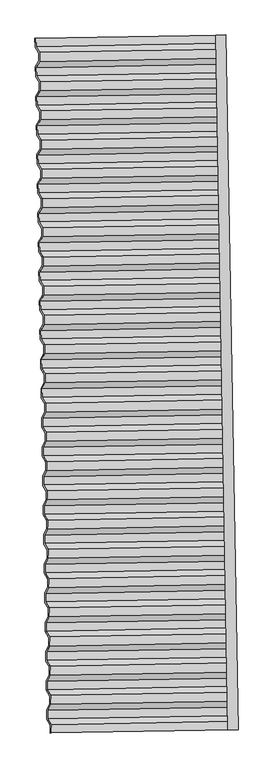
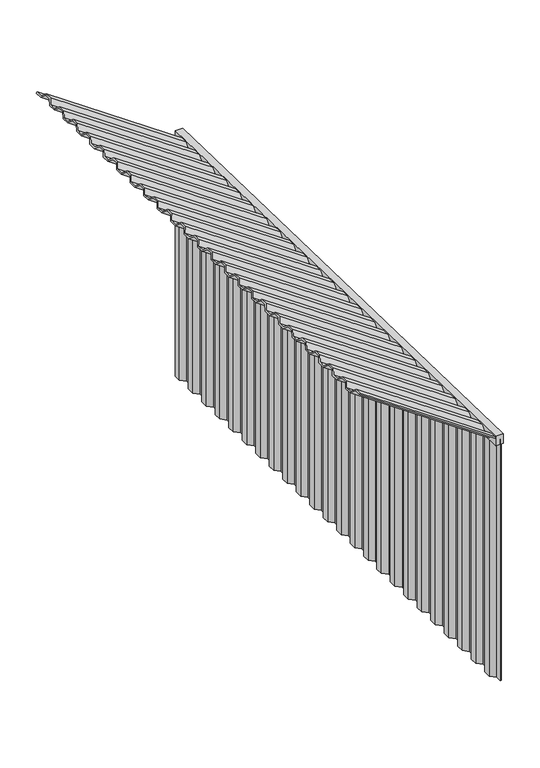
"""IFC4 building model written with IfcOpenShell, lengths in millimetres: proxy geometry."""

import ifcopenshell
import ifcopenshell.guid

model = None  # the IFC model being written
_history = None  # IfcOwnerHistory: only IFC2X3 demands one
_inside = {}  # id of a spatial element -> (the spatial element, [elements in it])
_under = {}  # id of a project, library or spatial element -> (it, [spatial elements below it])
_declared = {}  # id of a project -> (the project, [libraries it declares])
_typed = {}  # id of a type object -> (the type object, [elements of that type])
_made_of = {}  # id of a material, layer set ... -> (it, [elements and type objects made of it])


def new_model(schema):
    """Start an empty IFC model of exactly this schema.

    Asked for "IFC4X3", IfcOpenShell would pick the latest addendum, in which some entities
    have other attributes; the version numbers below select the first issue.
    IFC2X3 requires an IfcOwnerHistory on every rooted entity: one is made here for all.
    """
    global model, _history
    if schema == "IFC4X3":
        model = ifcopenshell.file(schema_version=(4, 3, 0, 0))
    else:
        model = ifcopenshell.file(schema=schema)
    _inside.clear()
    _under.clear()
    _declared.clear()
    _typed.clear()
    _made_of.clear()
    _history = None
    if model.schema == "IFC2X3":
        org = make("IfcOrganization", Name="unknown")
        user = make(
            "IfcPersonAndOrganization",
            ThePerson=make("IfcPerson", FamilyName="unknown"),
            TheOrganization=org,
        )
        app = make(
            "IfcApplication",
            ApplicationDeveloper=org,
            Version="unknown",
            ApplicationFullName="unknown",
            ApplicationIdentifier="unknown",
        )
        _history = make(
            "IfcOwnerHistory",
            OwningUser=user,
            OwningApplication=app,
            ChangeAction="ADDED",
            CreationDate=0,
        )
    return model


def make(cls, **values):
    """One entity of the class cls with the attributes given. An attribute that is None is left unset."""
    return model.create_entity(
        cls, **{name: value for name, value in values.items() if value is not None}
    )


def rooted(cls, **values):
    """An entity with a GlobalId (a new one), such as an element, a storey or a relation."""
    return make(cls, GlobalId=ifcopenshell.guid.new(), OwnerHistory=_history, **values)


def si_unit(unit_type, name, prefix=None):
    """IfcSIUnit, for example si_unit("LENGTHUNIT", "METRE", prefix="MILLI")."""
    return make("IfcSIUnit", UnitType=unit_type, Prefix=prefix, Name=name)


def assignment(units):
    """IfcUnitAssignment: the units of a project."""
    return None if units is None else make("IfcUnitAssignment", Units=units)


def point(xyz):
    """IfcCartesianPoint."""
    return None if xyz is None else make("IfcCartesianPoint", Coordinates=xyz)


def direction(xyz):
    """IfcDirection."""
    return None if xyz is None else make("IfcDirection", DirectionRatios=xyz)


def frame(location, z_axis=None, x_axis=None):
    """IfcAxis2Placement3D, a coordinate frame: its origin and axes. An axis left out is left unset."""
    return make(
        "IfcAxis2Placement3D",
        Location=point(location),
        Axis=direction(z_axis),
        RefDirection=direction(x_axis),
    )


def origin():
    """The frame at (0, 0, 0) with its axes left unset."""
    return frame((0.0, 0.0, 0.0))


def origin_with_axes():
    """The frame at (0, 0, 0) with the z axis (0, 0, 1) and the x axis (1, 0, 0) written out."""
    return frame((0.0, 0.0, 0.0), z_axis=(0.0, 0.0, 1.0), x_axis=(1.0, 0.0, 0.0))


def place(relative_to, where):
    """IfcLocalPlacement: puts the frame where relative to a parent placement (None: the world)."""
    return make(
        "IfcLocalPlacement", PlacementRelTo=relative_to, RelativePlacement=where
    )


def context(
    kind, dimensions, precision=None, world=None, true_north=None, identifier=None
):
    """IfcGeometricRepresentationContext, for example the 3D "Model" context."""
    return make(
        "IfcGeometricRepresentationContext",
        ContextIdentifier=identifier,
        ContextType=kind,
        CoordinateSpaceDimension=dimensions,
        Precision=precision,
        WorldCoordinateSystem=world,
        TrueNorth=true_north,
    )


def project(units=None, contexts=None):
    """IfcProject with its units and contexts."""
    return rooted(
        "IfcProject",
        Name="project",
        RepresentationContexts=contexts,
        UnitsInContext=assignment(units),
    )


def spatial(cls, under=None, at=None, **own):
    """A site, building, storey or space (cls), placed at a placement, below another one or the project."""
    s = rooted(cls, ObjectPlacement=at, **own)
    if under is not None:
        _under.setdefault(under.id(), (under, []))[1].append(s)
    return s


def polyline(points):
    """IfcPolyline through the points."""
    return make("IfcPolyline", Points=[point(p) for p in points])


def outline(outer, holes=None, kind="AREA"):
    """IfcArbitraryClosedProfileDef: a profile drawn as a closed curve; with holes, ...WithVoids."""
    if holes is None:
        return make("IfcArbitraryClosedProfileDef", ProfileType=kind, OuterCurve=outer)
    return make(
        "IfcArbitraryProfileDefWithVoids",
        ProfileType=kind,
        OuterCurve=outer,
        InnerCurves=holes,
    )


def extrude(swept, where, along, depth):
    """IfcExtrudedAreaSolid: the profile swept, set in the frame where, extruded along a direction by depth."""
    return make(
        "IfcExtrudedAreaSolid",
        SweptArea=swept,
        Position=where,
        ExtrudedDirection=direction(along),
        Depth=depth,
    )


def shape(context_of_items, identifier, shape_type, items):
    """IfcShapeRepresentation: the items that make up one representation, for example the "Body"."""
    return make(
        "IfcShapeRepresentation",
        ContextOfItems=context_of_items,
        RepresentationIdentifier=identifier,
        RepresentationType=shape_type,
        Items=items,
    )


def source(mapping_origin, context_of_items, identifier, shape_type, items):
    """IfcRepresentationMap: a shape defined once, which mapped items show again and again."""
    return make(
        "IfcRepresentationMap",
        MappingOrigin=mapping_origin,
        MappedRepresentation=shape(context_of_items, identifier, shape_type, items),
    )


def transform(
    local_origin,
    x_axis=None,
    y_axis=None,
    z_axis=None,
    scale=None,
    scale2=None,
    scale3=None,
    uniform=True,
):
    """IfcCartesianTransformationOperator3D, or its non-uniform kind. x_axis, y_axis, z_axis: its Axis1, 2, 3."""
    if uniform:
        return make(
            "IfcCartesianTransformationOperator3D",
            Axis1=direction(x_axis),
            Axis2=direction(y_axis),
            LocalOrigin=point(local_origin),
            Scale=scale,
            Axis3=direction(z_axis),
        )
    return make(
        "IfcCartesianTransformationOperator3DnonUniform",
        Axis1=direction(x_axis),
        Axis2=direction(y_axis),
        LocalOrigin=point(local_origin),
        Scale=scale,
        Axis3=direction(z_axis),
        Scale2=scale2,
        Scale3=scale3,
    )


def mapped(mapping_source, mapping_target):
    """IfcMappedItem: shows the shape of a source again, moved by a transform."""
    return make(
        "IfcMappedItem", MappingSource=mapping_source, MappingTarget=mapping_target
    )


def made_of(thing, what):
    """Note that an element or type object is made of a material, layer set ...; save() writes the relation."""
    if what is not None:
        _made_of.setdefault(what.id(), (what, []))[1].append(thing)
    return thing


def element(
    cls,
    number,
    at=None,
    inside=None,
    cuts=None,
    type_object=None,
    material=None,
    context=None,
    identifier="Body",
    shape_type=None,
    held_by="IfcProductDefinitionShape",
    body=None,
    shapes=None,
    **own,
):
    """One element of the class cls, such as IfcWall. Its Tag is "e" and its number.

    at: its placement. inside: the storey or other place that contains it. cuts: it is an
    opening in that element (IfcRelVoidsElement). A single representation is given by context,
    identifier, shape_type and body (its items); several are given by shapes. held_by: the class
    of the entity that holds the representations. save() writes the other relations.
    """
    e = rooted(cls, Tag="e%d" % number, ObjectPlacement=at, **own)
    if body is not None:
        shapes = [shape(context, identifier, shape_type, body)]
    if shapes is not None:
        e.Representation = make(held_by, Representations=shapes)
    if inside is not None:
        _inside.setdefault(inside.id(), (inside, []))[1].append(e)
    if cuts is not None:
        rooted(
            "IfcRelVoidsElement", RelatingBuildingElement=cuts, RelatedOpeningElement=e
        )
    if type_object is not None:
        _typed.setdefault(type_object.id(), (type_object, []))[1].append(e)
    return made_of(e, material)


def aggregate(whole, parts):
    """IfcRelAggregates: a whole, such as a stair, and the parts it consists of."""
    return rooted("IfcRelAggregates", RelatingObject=whole, RelatedObjects=parts)


def save(model, path):
    """Write the relations noted so far, then the file.

    IfcRelAggregates (storeys below a building ...), IfcRelContainedInSpatialStructure (elements
    in a storey), IfcRelDefinesByType, IfcRelAssociatesMaterial and IfcRelDeclares: one each for
    every whole, place, type object, material and project.
    """
    for whole, parts in _under.values():
        aggregate(whole, parts)
    for where, things in _inside.values():
        rooted(
            "IfcRelContainedInSpatialStructure",
            RelatedElements=things,
            RelatingStructure=where,
        )
    for kind, things in _typed.values():
        rooted("IfcRelDefinesByType", RelatedObjects=things, RelatingType=kind)
    for what, things in _made_of.values():
        rooted("IfcRelAssociatesMaterial", RelatedObjects=things, RelatingMaterial=what)
    for by, libraries in _declared.values():
        rooted("IfcRelDeclares", RelatingContext=by, RelatedDefinitions=libraries)
    model.write(path)


def generic_models_a86a1cff(model_context):
    return source(origin(), model_context, "Body", "SweptSolid", [
        extrude(outline(polyline([(75193.4758457, -50453.1054735), (75133.484984, -50454.1526179), (75060.9306449, -46297.517314), (75120.9215066, -46296.4701696), (75193.4758457, -50453.1054735)])), frame((0.0, 0.0, 1929.7196973), z_axis=(0.0, 0.0, 1.0), x_axis=(1.0, 0.0, 0.0)), (0.0, 0.0, 1.0), 75.2803027),
        extrude(outline(polyline([(0.0, 0.0), (35.3553391, -35.3553391), (28.2842713, -42.4264069), (-4.1421355, -10.0), (-54.1421356, -10.0), (-95.355339, 31.2132034), (-95.355339, 81.2132035), (-127.7817459, 113.6396104), (-177.7817459, 113.6396104), (-218.9949493, 154.8528137), (-218.9949494, 204.8528138), (-251.4213562, 237.2792207), (-301.4213562, 237.2792206), (-342.6345596, 278.492424), (-342.6345597, 328.4924241), (-375.0609665, 360.918831), (-425.0609665, 360.9188309), (-466.27417, 402.1320344), (-466.2741699, 452.1320344), (-498.7005768, 484.5584413), (-548.7005769, 484.5584412), (-589.9137803, 525.7716447), (-589.9137802, 575.7716447), (-622.3401871, 608.1980516), (-672.3401871, 608.1980515), (-713.5533906, 649.411255), (-713.5533906, 699.411255), (-745.9797974, 731.8376618), (-795.9797974, 731.8376618), (-837.1930009, 773.0508653), (-837.1930008, 823.0508653), (-869.6194077, 855.4772722), (-919.6194077, 855.4772721), (-960.8326112, 896.6904756), (-960.8326111, 946.6904756), (-993.259018, 979.1168825), (-1043.259018, 979.1168824), (-1084.4722215, 1020.3300859), (-1084.4722214, 1070.3300859), (-1116.8986283, 1102.7564927), (-1166.8986284, 1102.7564928), (-1208.1118318, 1143.9696962), (-1208.1118318, 1193.9696962), (-1240.5382387, 1226.3961031), (-1290.5382387, 1226.3961031), (-1331.7514421, 1267.6093065), (-1331.7514421, 1317.6093066), (-1364.177849, 1350.0357134), (-1414.177849, 1350.0357134), (-1455.3910524, 1391.2489168), (-1455.3910524, 1441.2489168), (-1487.8174593, 1473.6753237), (-1537.8174593, 1473.6753237), (-1579.0306627, 1514.8885272), (-1579.0306627, 1564.8885271), (-1611.4570696, 1597.314934), (-1661.4570696, 1597.314934), (-1702.670273, 1638.5281374), (-1702.670273, 1688.5281375), (-1735.0966799, 1720.9545443), (-1785.0966799, 1720.9545443), (-1826.3098834, 1762.1677477), (-1826.3098833, 1812.1677477), (-1858.7362902, 1844.5941546), (-1908.7362902, 1844.5941546), (-1949.9494936, 1885.8073581), (-1949.9494936, 1935.807358), (-1982.3759005, 1968.2337649), (-2032.3759005, 1968.2337649), (-2073.5891039, 2009.4469683), (-2073.5891039, 2059.4469683), (-2106.0155107, 2091.8733752), (-2156.0155109, 2091.8733753), (-2197.2287142, 2133.0865786), (-2197.2287143, 2183.0865787), (-2229.6551211, 2215.5129856), (-2279.6551212, 2215.5129855), (-2320.8683246, 2256.7261889), (-2320.8683246, 2306.726189), (-2353.2947314, 2339.1525959), (-2403.2947314, 2339.1525959), (-2444.5079348, 2380.3657992), (-2444.5079349, 2430.3657993), (-2476.9343417, 2462.7922062), (-2526.9343417, 2462.7922062), (-2568.1475452, 2504.0054096), (-2568.1475451, 2554.0054096), (-2600.573952, 2586.4318165), (-2650.5739521, 2586.4318164), (-2691.7871555, 2627.6450199), (-2691.7871554, 2677.6450199), (-2724.2135623, 2710.0714268), (-2774.2135624, 2710.0714267), (-2815.4267658, 2751.2846302), (-2815.4267658, 2801.2846302), (-2847.8531726, 2833.7110371), (-2897.8531726, 2833.7110371), (-2936.3484593, 2872.2063237), (-2929.2773915, 2879.2773915), (-2893.711037, 2843.7110371), (-2843.711037, 2843.7110371), (-2805.4267658, 2805.4267658), (-2805.4267657, 2755.4267658), (-2770.0714267, 2720.0714268), (-2720.0714268, 2720.0714268), (-2681.7871555, 2681.7871555), (-2681.7871555, 2631.7871555), (-2646.4318163, 2596.4318165), (-2596.4318164, 2596.4318164), (-2558.1475451, 2558.1475452), (-2558.1475452, 2508.1475452), (-2522.7922061, 2472.7922061), (-2472.7922061, 2472.7922061), (-2434.5079349, 2434.5079349), (-2434.5079348, 2384.5079349), (-2399.1525958, 2349.1525958), (-2349.1525958, 2349.1525958), (-2310.8683246, 2310.8683246), (-2310.8683245, 2260.8683247), (-2275.5129855, 2225.5129856), (-2225.5129855, 2225.5129855), (-2187.2287143, 2187.2287143), (-2187.2287143, 2137.2287143), (-2151.8733751, 2101.8733753), (-2101.8733752, 2101.8733752), (-2063.5891039, 2063.589104), (-2063.5891039, 2013.589104), (-2028.2337649, 1978.2337649), (-1978.2337649, 1978.2337649), (-1939.9494937, 1939.9494937), (-1939.9494936, 1889.9494937), (-1904.5941546, 1854.5941547), (-1854.5941546, 1854.5941546), (-1816.3098834, 1816.3098834), (-1816.3098833, 1766.3098834), (-1780.9545443, 1730.9545444), (-1730.9545443, 1730.9545443), (-1692.670273, 1692.670273), (-1692.670273, 1642.6702731), (-1657.3149339, 1607.314934), (-1607.3149339, 1607.314934), (-1569.0306627, 1569.0306627), (-1569.0306627, 1519.0306628), (-1533.6753236, 1483.6753237), (-1483.6753236, 1483.6753237), (-1445.3910524, 1445.3910524), (-1445.3910524, 1395.3910525), (-1410.0357133, 1360.0357134), (-1360.0357134, 1360.0357133), (-1321.7514421, 1321.7514421), (-1321.7514421, 1271.7514422), (-1286.396103, 1236.3961031), (-1236.396103, 1236.3961031), (-1198.1118318, 1198.1118318), (-1198.1118318, 1148.1118319), (-1162.7564927, 1112.7564928), (-1112.7564927, 1112.7564928), (-1074.4722215, 1074.4722215), (-1074.4722214, 1024.4722215), (-1039.1168824, 989.1168825), (-989.1168825, 989.1168824), (-950.8326112, 950.8326112), (-950.8326111, 900.8326112), (-915.4772721, 865.4772722), (-865.4772722, 865.4772722), (-827.1930009, 827.1930009), (-827.1930008, 777.1930009), (-791.8376618, 741.8376619), (-741.8376618, 741.8376619), (-703.5533906, 703.5533905), (-703.5533905, 653.5533906), (-668.1980515, 618.1980516), (-618.1980515, 618.1980515), (-579.9137803, 579.9137803), (-579.9137802, 529.9137803), (-544.5584411, 494.5584412), (-494.5584412, 494.5584412), (-456.2741699, 456.27417), (-456.2741699, 406.27417), (-420.9188308, 370.918831), (-370.9188309, 370.9188309), (-332.6345596, 332.6345597), (-332.6345596, 282.6345597), (-297.2792206, 247.2792206), (-247.2792206, 247.2792206), (-208.9949494, 208.9949494), (-208.9949493, 158.9949494), (-173.6396103, 123.6396103), (-123.6396103, 123.6396103), (-85.3553391, 85.3553391), (-85.355339, 35.3553391), (-49.9999999, 1e-07), (0.0, 0.0)])), frame((75177.9607949, -50403.3686733, 1968.3301924), z_axis=(-0.8190272834650001, -0.014296174410512258, 0.5735764363510472), x_axis=(0.41785873084607233, -0.6999207421017243, 0.5792279653396246)), (0.0, 0.0, 1.0), 1345.3342493),
        extrude(outline(polyline([(75177.9607949, -50403.3686733), (75178.8334152, -50453.3610581), (75168.8349383, -50453.5355821), (75168.0346082, -50407.6847021), (75132.0676182, -50372.9517836), (75131.0504174, -50314.6763893), (75165.7833359, -50278.7093993), (75164.9830058, -50232.8585193), (75129.0160158, -50198.1256008), (75127.998815, -50139.8502065), (75162.7317335, -50103.8832165), (75161.9314035, -50058.0323365), (75125.9644134, -50023.299418), (75124.9472127, -49965.0240237), (75159.6801312, -49929.0570337), (75158.8798011, -49883.2061537), (75122.9128111, -49848.4732352), (75121.8956103, -49790.1978409), (75156.6285288, -49754.2308509), (75155.8281987, -49708.3799709), (75119.8612087, -49673.6470524), (75118.8440079, -49615.3716581), (75153.5769264, -49579.4046681), (75152.7765963, -49533.5537881), (75116.8096063, -49498.8208695), (75115.7924055, -49440.5454753), (75150.5253241, -49404.5784853), (75149.724994, -49358.7276053), (75113.758004, -49323.9946867), (75112.7408032, -49265.7192925), (75147.4737217, -49229.7523024), (75146.6733916, -49183.9014224), (75110.7064016, -49149.1685039), (75109.6892008, -49090.8931097), (75144.4221193, -49054.9261196), (75143.6217892, -49009.0752396), (75107.6547992, -48974.3423211), (75106.6375984, -48916.0669268), (75141.3705169, -48880.0999368), (75140.5701869, -48834.2490568), (75104.6031968, -48799.5161383), (75103.585996, -48741.240744), (75138.3189146, -48705.273754), (75137.5185845, -48659.422874), (75101.5515945, -48624.6899555), (75100.5343937, -48566.4145612), (75135.2673122, -48530.4475712), (75134.4669821, -48484.5966912), (75098.4999921, -48449.8637727), (75097.4827913, -48391.5883784), (75132.2157098, -48355.6213884), (75131.4153797, -48309.7705084), (75095.4483897, -48275.0375899), (75094.4311889, -48216.7621956), (75129.1641075, -48180.7952056), (75128.3637774, -48134.9443256), (75092.3967874, -48100.2114071), (75091.3795866, -48041.9360128), (75126.1125051, -48005.9690228), (75125.312175, -47960.1181428), (75089.345185, -47925.3852242), (75088.3279842, -47867.10983), (75123.0609027, -47831.14284), (75122.2605726, -47785.29196), (75086.2935826, -47750.5590414), (75085.2763818, -47692.2836472), (75120.0093003, -47656.3166571), (75119.2089703, -47610.4657771), (75083.2419802, -47575.7328586), (75082.2247794, -47517.4574643), (75116.957698, -47481.4904743), (75116.1573679, -47435.6395943), (75080.1903779, -47400.9066758), (75079.1731771, -47342.6312815), (75113.9060956, -47306.6642915), (75113.1057655, -47260.8134115), (75077.1387755, -47226.080493), (75076.1215747, -47167.8050987), (75110.8544932, -47131.8381087), (75110.0541631, -47085.9872287), (75074.0871731, -47051.2543102), (75073.0699723, -46992.9789159), (75107.8028909, -46957.0119259), (75107.0025608, -46911.1610459), (75071.0355707, -46876.4281274), (75070.01837, -46818.1527331), (75104.7512885, -46782.1857431), (75103.9509584, -46736.3348631), (75067.9839684, -46701.6019446), (75066.9667676, -46643.3265503), (75101.6996861, -46607.3595603), (75100.899356, -46561.5086803), (75064.932366, -46526.7757617), (75063.9151652, -46468.5003675), (75098.6480837, -46432.5333775), (75097.8477536, -46386.6824975), (75061.8807636, -46351.9495789), (75060.9306449, -46297.517314), (75070.9291219, -46297.34279), (75071.8069503, -46347.6335501), (75107.7739404, -46382.3664686), (75108.7188509, -46436.5003582), (75073.9859324, -46472.4673482), (75074.8585527, -46522.4597329), (75110.8255427, -46557.1926514), (75111.7704533, -46611.326541), (75077.0375348, -46647.293531), (75077.9101551, -46697.2859157), (75113.8771451, -46732.0188343), (75114.8220557, -46786.1527238), (75080.0891371, -46822.1197138), (75080.9617575, -46872.1120985), (75116.9287475, -46906.8450171), (75117.873658, -46960.9789066), (75083.1407395, -46996.9458966), (75084.0133598, -47046.9382814), (75119.9803499, -47081.6711999), (75120.9252604, -47135.8050894), (75086.1923419, -47171.7720794), (75087.0649622, -47221.7644642), (75123.0319522, -47256.4973827), (75123.9768628, -47310.6312722), (75089.2439443, -47346.5982622), (75090.1165646, -47396.590647), (75126.0835546, -47431.3235655), (75127.0284652, -47485.457455), (75092.2955466, -47521.424445), (75093.168167, -47571.4168298), (75129.135157, -47606.1497483), (75130.0800675, -47660.2836378), (75095.347149, -47696.2506279), (75096.2197693, -47746.2430126), (75132.1867593, -47780.9759311), (75133.1316699, -47835.1098206), (75098.3987514, -47871.0768107), (75099.2713717, -47921.0691954), (75135.2383617, -47955.8021139), (75136.1832723, -48009.9360035), (75101.4503537, -48045.9029935), (75102.3229741, -48095.8953782), (75138.2899641, -48130.6282968), (75139.2348746, -48184.7621863), (75104.5019561, -48220.7291763), (75105.3745764, -48270.721561), (75141.3415665, -48305.4544796), (75142.286477, -48359.5883691), (75107.5535585, -48395.5553591), (75108.4261788, -48445.5477439), (75144.3931688, -48480.2806624), (75145.3380794, -48534.4145519), (75110.6051609, -48570.3815419), (75111.4777812, -48620.3739267), (75147.4447712, -48655.1068452), (75148.3896818, -48709.2407347), (75113.6567632, -48745.2077247), (75114.5293836, -48795.2001095), (75150.4963736, -48829.933028), (75151.4412841, -48884.0669175), (75116.7083656, -48920.0339075), (75117.5809859, -48970.0262923), (75153.5479759, -49004.7592108), (75154.4928865, -49058.8931003), (75119.759968, -49094.8600903), (75120.6325883, -49144.8524751), (75156.5995783, -49179.5853936), (75157.5444889, -49233.7192831), (75122.8115704, -49269.6862732), (75123.6841907, -49319.6786579), (75159.6511807, -49354.4115764), (75160.5960912, -49408.545466), (75125.8631727, -49444.512456), (75126.735793, -49494.5048407), (75162.7027831, -49529.2377593), (75163.6476936, -49583.3716488), (75128.9147751, -49619.3386388), (75129.7873954, -49669.3310235), (75165.7543854, -49704.0639421), (75166.699296, -49758.1978316), (75131.9663775, -49794.1648216), (75132.8389978, -49844.1572064), (75168.8059878, -49878.8901249), (75169.7508984, -49933.0240144), (75135.0179798, -49968.9910044), (75135.8906002, -50018.9833892), (75171.8575902, -50053.7163077), (75172.8025007, -50107.8501972), (75138.0695822, -50143.8171872), (75138.9422025, -50193.809572), (75174.9091925, -50228.5424905), (75175.8541031, -50282.67638), (75141.1211846, -50318.64337), (75141.9938049, -50368.6357548), (75177.9607949, -50403.3686733)])), origin_with_axes(), (0.0, 0.0, 1.0), 1968.3301924),
    ])


if __name__ == "__main__":
    model = new_model("IFC4")
    model_context = context("Model", 3, world=origin())
    ifc_project = project(units=[si_unit("LENGTHUNIT", "METRE", prefix="MILLI")], contexts=[model_context])
    site = spatial("IfcSite", under=ifc_project)
    building = spatial("IfcBuilding", under=site)
    placement = place(None, origin())
    generic_models_shape = generic_models_a86a1cff(model_context)
    element("IfcBuildingElementProxy", 1, Name="Generic Models", at=placement, inside=building, context=model_context, shape_type="MappedRepresentation", body=[
        mapped(generic_models_shape, transform((0.0, 0.0, 0.0), x_axis=(1.0, 0.0, 0.0), y_axis=(0.0, 1.0, 0.0), z_axis=(0.0, 0.0, 1.0))),
    ])
    save(model, "model.ifc")
